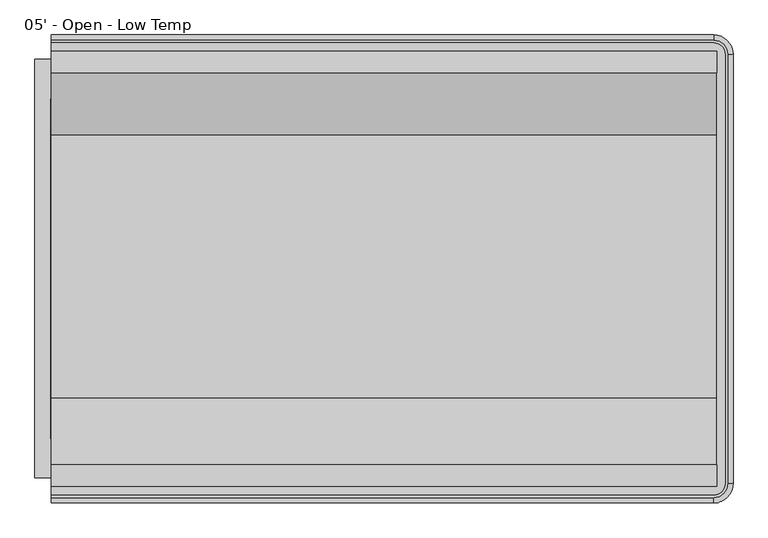
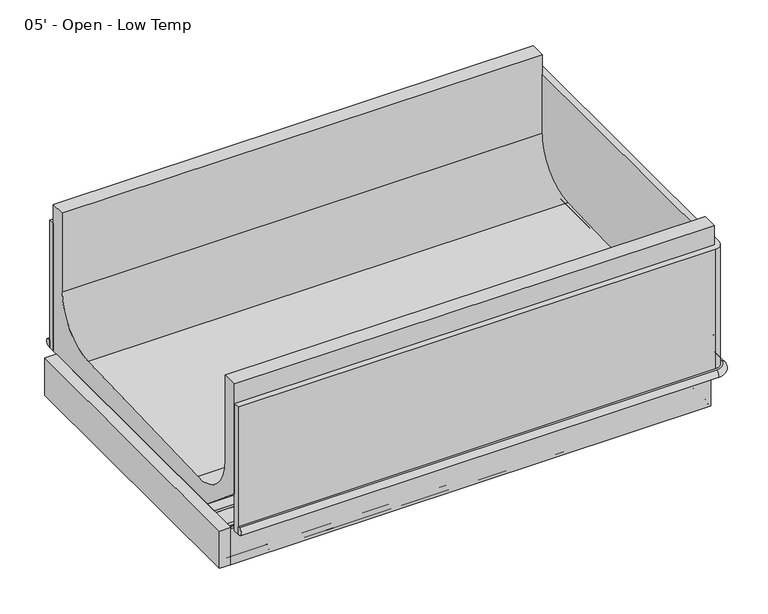
"""IFC4 building model written with IfcOpenShell, lengths in millimetres: proxy geometry, 05' - Open - Low Temp."""

from ifc_helpers import new_model, si_unit, point, frame, frame_2d, origin, place, context, project, spatial, polyline, circle_curve, ellipse_curve, trimmed, segment, composite_curve, outline, extrude, faceted_brep, source, transform, mapped, element, save
from ifc_brep_helpers import plane_surface, cylinder_surface, revolved_surface, advanced_brep


def proxy_05_open_low_temp_ae380f7f(model_context):
    return source(origin(), model_context, "Body", "SolidModel", [
        extrude(outline(composite_curve([segment(trimmed(circle_curve(frame_2d((1327.8857348, -1195.4118533)), 12.7), [point((1315.1857348, -1195.4118533))], [point((1340.5857348, -1195.4118533))], False, "CARTESIAN"), True, "CONTINUOUS"), segment(trimmed(circle_curve(frame_2d((1327.8857348, -1195.4118533)), 12.7), [point((1340.5857348, -1195.4118533))], [point((1315.1857348, -1195.4118533))], False, "CARTESIAN"), True, "CONTINUOUS")], self_intersect=False)), frame((0.0, 0.0, 267.1357836), z_axis=(0.0, 0.0, 1.0), x_axis=(1.0, 0.0, 0.0)), (0.0, 0.0, 1.0), 111.4880864),
        extrude(outline(composite_curve([segment(trimmed(circle_curve(frame_2d((1277.5411097, -1195.4118533)), 9.525), [point((1268.0161097, -1195.4118533))], [point((1287.0661097, -1195.4118533))], False, "CARTESIAN"), True, "CONTINUOUS"), segment(trimmed(circle_curve(frame_2d((1277.5411097, -1195.4118533)), 9.525), [point((1287.0661097, -1195.4118533))], [point((1268.0161097, -1195.4118533))], False, "CARTESIAN"), True, "CONTINUOUS")], self_intersect=False)), frame((0.0, 0.0, 267.1357836), z_axis=(0.0, 0.0, 1.0), x_axis=(1.0, 0.0, 0.0)), (0.0, 0.0, 1.0), 111.4880864),
        extrude(outline(composite_curve([segment(trimmed(circle_curve(frame_2d((762.0, -1198.5868533)), 38.1), [point((723.9, -1198.5868533))], [point((800.1, -1198.5868533))], False, "CARTESIAN"), True, "CONTINUOUS"), segment(trimmed(circle_curve(frame_2d((762.0, -1198.5868533)), 38.1), [point((800.1, -1198.5868533))], [point((723.9, -1198.5868533))], False, "CARTESIAN"), True, "CONTINUOUS")], self_intersect=False)), frame((0.0, 0.0, 267.1357836), z_axis=(0.0, 0.0, 1.0), x_axis=(1.0, 0.0, 0.0)), (0.0, 0.0, 1.0), 111.4880864),
        extrude(outline(polyline([(247.65, -1413.6237792), (247.65, -1451.7237792), (133.35, -1451.7237792), (133.35, -1413.6237792), (247.65, -1413.6237792)])), frame((0.0, 0.0, 274.6794054), z_axis=(0.0, 0.0, 1.0), x_axis=(1.0, 0.0, 0.0)), (0.0, 0.0, 1.0), 6.35),
        advanced_brep(
        [(0.0, -1496.0833013, 358.14512), (0.0, -1496.0833013, 332.74512), (0.0, -1502.3063013, 332.74512), (0.0, -1502.3063013, 358.14512), (0.0, -427.7095533, 358.14512), (0.0, -421.4865533, 358.14512), (0.0, -421.4865533, 332.74512), (0.0, -427.7095533, 332.74512), (1565.91, -1502.3063013, 358.14512), (1599.272374, -1468.9439273, 358.14512), (1599.272374, -454.8489273, 358.14512), (1565.91, -421.4865533, 358.14512), (1565.91, -427.7095533, 358.14512), (1593.049374, -454.8489273, 358.14512), (1593.049374, -1468.9439273, 358.14512), (1565.91, -1496.0833013, 358.14512), (1565.91, -421.4865533, 332.74512), (1565.91, -1496.0833013, 332.74512), (1593.049374, -1468.9439273, 332.74512), (1593.049374, -454.8489273, 332.74512), (1565.91, -427.7095533, 332.74512), (1599.272374, -454.8489273, 332.74512), (1599.272374, -1468.9439273, 332.74512), (1565.91, -1502.3063013, 332.74512)],
        [
            (0, 1),
            (1, 2),
            (2, 3, circle_curve(frame((0.0, -1502.3063013, 345.44512), z_axis=(-1.0, 0.0, 0.0), x_axis=(0.0, -1.0, 0.0)), 12.7)),
            (3, 0),
            (4, 5),
            (5, 6, circle_curve(frame((0.0, -421.4865533, 345.44512), z_axis=(-1.0, 0.0, 0.0), x_axis=(0.0, 1.0, 0.0)), 12.7)),
            (6, 7),
            (7, 4),
            (3, 8),
            (8, 9, circle_curve(frame((1565.91, -1468.9439273, 358.14512), z_axis=(0.0, 0.0, 1.0), x_axis=(1.0, 0.0, 0.0)), 33.362374)),
            (9, 10),
            (10, 11, circle_curve(frame((1565.91, -454.8489273, 358.14512), z_axis=(0.0, 0.0, 1.0), x_axis=(0.0, 1.0, 0.0)), 33.362374)),
            (11, 5),
            (4, 12),
            (12, 13, circle_curve(frame((1565.91, -454.8489273, 358.14512), z_axis=(0.0, 0.0, -1.0), x_axis=(0.0, 1.0, 0.0)), 27.139374)),
            (13, 14),
            (14, 15, circle_curve(frame((1565.91, -1468.9439273, 358.14512), z_axis=(0.0, 0.0, -1.0), x_axis=(1.0, 0.0, 0.0)), 27.139374)),
            (15, 0),
            (11, 16, circle_curve(frame((1565.91, -421.4865533, 345.44512), z_axis=(-1.0, 0.0, 0.0), x_axis=(0.0, 1.0, 0.0)), 12.7)),
            (16, 6),
            (1, 17),
            (17, 18, circle_curve(frame((1565.91, -1468.9439273, 332.74512), z_axis=(0.0, 0.0, 1.0), x_axis=(1.0, 0.0, 0.0)), 27.139374)),
            (18, 19),
            (19, 20, circle_curve(frame((1565.91, -454.8489273, 332.74512), z_axis=(0.0, 0.0, 1.0), x_axis=(0.0, 1.0, 0.0)), 27.139374)),
            (20, 7),
            (16, 21, circle_curve(frame((1565.91, -454.8489273, 332.74512), z_axis=(0.0, 0.0, -1.0), x_axis=(0.0, 1.0, 0.0)), 33.362374)),
            (21, 22),
            (22, 23, circle_curve(frame((1565.91, -1468.9439273, 332.74512), z_axis=(0.0, 0.0, -1.0), x_axis=(1.0, 0.0, 0.0)), 33.362374)),
            (23, 2),
            (20, 12),
            (10, 21, circle_curve(frame((1599.272374, -454.8489273, 345.44512), z_axis=(0.0, 1.0, 0.0), x_axis=(1.0, 0.0, 0.0)), 12.7)),
            (19, 13),
            (9, 22, circle_curve(frame((1599.272374, -1468.9439273, 345.44512), z_axis=(0.0, 1.0, 0.0), x_axis=(1.0, 0.0, 0.0)), 12.7)),
            (18, 14),
            (8, 23, circle_curve(frame((1565.91, -1502.3063013, 345.44512), z_axis=(1.0, 0.0, 0.0), x_axis=(0.0, -1.0, 0.0)), 12.7)),
            (17, 15),
        ],
        [
            plane_surface(frame((0.0, -1522.2839273, 717.55), z_axis=(-1.0, 0.0, 0.0), x_axis=(0.0, 0.0, 1.0))),
            plane_surface(frame((0.0, -401.5089273, 717.55), z_axis=(-1.0, 0.0, 0.0), x_axis=(0.0, 0.0, 1.0))),
            plane_surface(frame((0.0, -427.7095533, 358.14512), z_axis=(0.0, 0.0, 1.0), x_axis=(1.0, 0.0, 0.0))),
            cylinder_surface(frame((0.0, -421.4865533, 345.44512), z_axis=(-1.0, 0.0, 0.0), x_axis=(0.0, 1.0, 0.0)), 12.7),
            plane_surface(frame((0.0, -421.4865533, 332.74512), z_axis=(0.0, 0.0, -1.0), x_axis=(1.0, 0.0, 0.0))),
            plane_surface(frame((0.0, -427.7095533, 332.74512), z_axis=(0.0, -1.0, 0.0), x_axis=(1.0, 0.0, 0.0))),
            revolved_surface(trimmed(ellipse_curve(frame((1565.91, -421.4865533, 345.44512), z_axis=(-1.0, 0.0, 0.0), x_axis=(0.0, 1.0, 0.0)), 12.7, 12.7), [point((1565.91, -421.4865533, 358.14512))], [point((1565.91, -421.4865533, 332.74512))], True, "CARTESIAN"), (1565.91, -454.8489273, 717.55), (0.0, 0.0, -1.0)),
            revolved_surface(polyline([(1565.91, -427.70955330000004, 332.74512), (1565.91, -427.70955330000004, 358.14512)]), (1565.91, -454.8489273, 717.55), (0.0, 0.0, -1.0)),
            cylinder_surface(frame((1599.272374, -454.8489273, 345.44512), z_axis=(0.0, 1.0, 0.0), x_axis=(1.0, 0.0, 0.0)), 12.7),
            plane_surface(frame((1593.049374, -454.8489273, 332.74512), z_axis=(-1.0, 0.0, 0.0), x_axis=(0.0, -1.0, 0.0))),
            revolved_surface(trimmed(ellipse_curve(frame((1599.272374, -1468.9439273, 345.44512), z_axis=(0.0, 1.0, 0.0), x_axis=(1.0, 0.0, 0.0)), 12.7, 12.7), [point((1599.272374, -1468.9439273, 358.14512))], [point((1599.272374, -1468.9439273, 332.74512))], True, "CARTESIAN"), (1565.91, -1468.9439273, 717.55), (0.0, 0.0, -1.0)),
            revolved_surface(polyline([(1593.0493740000002, -1468.9439273, 332.74512), (1593.0493740000002, -1468.9439273, 358.14512)]), (1565.91, -1468.9439273, 717.55), (0.0, 0.0, -1.0)),
            cylinder_surface(frame((1565.91, -1502.3063013, 345.44512), z_axis=(1.0, 0.0, 0.0), x_axis=(0.0, -1.0, 0.0)), 12.7),
            plane_surface(frame((1565.91, -1496.0833013, 332.74512), z_axis=(0.0, 1.0, 0.0), x_axis=(-1.0, 0.0, 0.0))),
        ],
        [
            (0, [[1, 2, 3, 4]]),
            (1, [[5, 6, 7, 8]]),
            (2, [[-4, 9, 10, 11, 12, 13, -5, 14, 15, 16, 17, 18]]),
            (3, [[-6, -13, 19, 20]]),
            (4, [[-2, 21, 22, 23, 24, 25, -7, -20, 26, 27, 28, 29]]),
            (5, [[-8, -25, 30, -14]]),
            (6, [[-12, 31, -26, -19]]),
            (7, [[-15, -30, -24, 32]]),
            (8, [[-11, 33, -27, -31]]),
            (9, [[-16, -32, -23, 34]]),
            (10, [[-10, 35, -28, -33]]),
            (11, [[-17, -34, -22, 36]]),
            (12, [[-3, -29, -35, -9]]),
            (13, [[-1, -18, -36, -21]]),
        ],
    ),
        advanced_brep(
        [(1572.9148438, -645.364244, 415.4160788), (1572.9148438, -1266.4759331, 393.268902), (1572.9148438, -1424.2105725, 546.0329855), (1572.9148438, -1424.2105725, 840.41492), (1572.9148438, -1475.9703113, 840.41492), (1572.9148438, -1475.9703113, 460.2391669), (1572.9148438, -1323.1509772, 332.00852), (1572.9148438, -447.8225433, 332.00852), (1572.9148438, -447.8225433, 840.41492), (1572.9148438, -498.2829273, 840.41492), (1572.9148438, -498.2829273, 567.7232408), (0.0, -645.364244, 415.4160788), (0.0, -498.2829273, 567.7232408), (0.0, -498.2829273, 840.41492), (0.0, -447.8225433, 840.41492), (0.0, -447.8225433, 332.00852), (0.0, -1323.1509772, 332.00852), (0.0, -1475.9703113, 460.2391669), (0.0, -1475.9703113, 840.41492), (0.0, -1424.2105725, 840.41492), (0.0, -1424.2105725, 546.0329855), (0.0, -1266.4759331, 393.268902), (762.0, -1248.6431135, 332.00852), (762.0, -1147.0431135, 332.00852), (1303.3375, -1245.4681135, 332.00852), (1303.3375, -1143.8681135, 332.00852), (762.0, -1248.6431135, 378.62387), (762.0, -1147.0431135, 378.62387), (1303.3375, -1245.4681135, 378.62387), (1303.3375, -1143.8681135, 378.62387)],
        [
            (0, 1),
            (1, 2, circle_curve(frame((1572.9148438, -1271.9033854, 545.4803582), z_axis=(-1.0, 0.0, 0.0), x_axis=(0.0, 1.0, 0.0)), 152.3081897)),
            (2, 3),
            (3, 4),
            (4, 5),
            (5, 6),
            (6, 7),
            (7, 8),
            (8, 9),
            (9, 10),
            (10, 0, circle_curve(frame((1572.9148438, -650.6829273, 567.7232408), z_axis=(-1.0, 0.0, 0.0), x_axis=(0.0, 1.0, 0.0)), 152.4)),
            (11, 12, circle_curve(frame((0.0, -650.6829273, 567.7232408), z_axis=(1.0, 0.0, 0.0), x_axis=(0.0, 1.0, 0.0)), 152.4)),
            (12, 13),
            (13, 14),
            (14, 15),
            (15, 16),
            (16, 17),
            (17, 18),
            (18, 19),
            (19, 20),
            (20, 21, circle_curve(frame((0.0, -1271.9033854, 545.4803582), z_axis=(1.0, 0.0, 0.0), x_axis=(0.0, 1.0, 0.0)), 152.3081897)),
            (21, 11),
            (0, 11),
            (21, 1),
            (20, 2),
            (19, 3),
            (18, 4),
            (17, 5),
            (16, 6),
            (15, 7),
            (22, 23, circle_curve(frame((762.0, -1197.8431135, 332.00852), z_axis=(0.0, 0.0, 1.0), x_axis=(0.0, 1.0, 0.0)), 50.8)),
            (23, 22, circle_curve(frame((762.0, -1197.8431135, 332.00852), z_axis=(0.0, 0.0, 1.0), x_axis=(0.0, 1.0, 0.0)), 50.8)),
            (24, 25, circle_curve(frame((1303.3375, -1194.6681135, 332.00852), z_axis=(0.0, 0.0, 1.0), x_axis=(0.0, 1.0, 0.0)), 50.8)),
            (25, 24, circle_curve(frame((1303.3375, -1194.6681135, 332.00852), z_axis=(0.0, 0.0, 1.0), x_axis=(0.0, 1.0, 0.0)), 50.8)),
            (14, 8),
            (13, 9),
            (12, 10),
            (26, 27, circle_curve(frame((762.0, -1197.8431135, 378.62387), z_axis=(0.0, 0.0, -1.0), x_axis=(0.0, 1.0, 0.0)), 50.8)),
            (27, 26, circle_curve(frame((762.0, -1197.8431135, 378.62387), z_axis=(0.0, 0.0, -1.0), x_axis=(0.0, 1.0, 0.0)), 50.8)),
            (27, 23),
            (22, 26),
            (28, 29, circle_curve(frame((1303.3375, -1194.6681135, 378.62387), z_axis=(0.0, 0.0, -1.0), x_axis=(0.0, 1.0, 0.0)), 50.8)),
            (29, 28, circle_curve(frame((1303.3375, -1194.6681135, 378.62387), z_axis=(0.0, 0.0, -1.0), x_axis=(0.0, 1.0, 0.0)), 50.8)),
            (29, 25),
            (24, 28),
        ],
        [
            plane_surface(frame((1572.9148438, -1266.4759331, 393.268902), z_axis=(1.0, 0.0, 0.0), x_axis=(0.0, -0.999364883420705, -0.03563467111565395))),
            plane_surface(frame((0.0, -1266.4759331, 393.268902), z_axis=(-1.0, 0.0, 0.0), x_axis=(0.0, 0.999364883420705, 0.03563467111565395))),
            plane_surface(frame((1572.9148438, -645.364244, 415.4160788), z_axis=(0.0, -0.03563467111565395, 0.999364883420705), x_axis=(-1.0, 0.0, 0.0))),
            revolved_surface(polyline([(0.0, -1119.5951957, 545.4803582), (1572.9148438, -1119.5951957, 545.4803582)]), (0.0, -1271.9033854, 545.4803582), (-1.0, 0.0, 0.0)),
            plane_surface(frame((1572.9148438, -1424.2105725, 546.0329855), z_axis=(0.0, 1.0, 0.0), x_axis=(-1.0, 0.0, 0.0))),
            plane_surface(frame((1572.9148438, -1424.2105725, 840.41492), z_axis=(0.0, 0.0, 1.0), x_axis=(-1.0, 0.0, 0.0))),
            plane_surface(frame((1572.9148438, -1475.9703113, 840.41492), z_axis=(0.0, -1.0, 0.0), x_axis=(-1.0, 0.0, 0.0))),
            plane_surface(frame((1572.9148438, -1475.9703113, 460.2391669), z_axis=(0.0, -0.6427876096896754, -0.7660444431163466), x_axis=(-1.0, 0.0, 0.0))),
            plane_surface(frame((1572.9148438, -1323.1509772, 332.00852), z_axis=(0.0, 0.0, -1.0), x_axis=(-1.0, 0.0, 0.0))),
            plane_surface(frame((1572.9148438, -447.8225433, 332.00852), z_axis=(0.0, 1.0, 0.0), x_axis=(-1.0, 0.0, 0.0))),
            plane_surface(frame((1572.9148438, -447.8225433, 840.41492), z_axis=(0.0, 0.0, 1.0), x_axis=(-1.0, 0.0, 0.0))),
            plane_surface(frame((1572.9148438, -498.2829273, 840.41492), z_axis=(0.0, -1.0, 0.0), x_axis=(-1.0, 0.0, 0.0))),
            revolved_surface(polyline([(0.0, -498.2829273, 567.7232408), (1572.9148438, -498.2829273, 567.7232408)]), (0.0, -650.6829273, 567.7232408), (-1.0, 0.0, 0.0)),
            plane_surface(frame((762.0, -1147.0431135, 378.62387), z_axis=(0.0, 0.0, -1.0), x_axis=(-1.0, 0.0, 0.0))),
            revolved_surface(polyline([(762.0, -1147.0431135000001, 378.62387), (762.0, -1147.0431135000001, 332.00852)]), (762.0, -1197.8431135, 277.02387), (0.0, 0.0, 1.0)),
            plane_surface(frame((1303.3375, -1143.8681135, 378.62387), z_axis=(0.0, 0.0, -1.0), x_axis=(-1.0, 0.0, 0.0))),
            revolved_surface(polyline([(1303.3375, -1143.8681135, 378.62387), (1303.3375, -1143.8681135, 332.00852)]), (1303.3375, -1194.6681135, 277.02387), (0.0, 0.0, 1.0)),
        ],
        [
            (0, [[1, 2, 3, 4, 5, 6, 7, 8, 9, 10, 11]]),
            (1, [[12, 13, 14, 15, 16, 17, 18, 19, 20, 21, 22]]),
            (2, [[-1, 23, -22, 24]]),
            (3, [[-2, -24, -21, 25]]),
            (4, [[-3, -25, -20, 26]]),
            (5, [[-4, -26, -19, 27]]),
            (6, [[-5, -27, -18, 28]]),
            (7, [[-6, -28, -17, 29]]),
            (8, [[-7, -29, -16, 30], [31, 32], [33, 34]]),
            (9, [[-8, -30, -15, 35]]),
            (10, [[-9, -35, -14, 36]]),
            (11, [[-10, -36, -13, 37]]),
            (12, [[-11, -37, -12, -23]]),
            (13, [[38, 39]]),
            (14, [[-39, 40, -31, 41]]),
            (14, [[-38, -41, -32, -40]]),
            (15, [[42, 43]]),
            (16, [[-43, 44, -33, 45]]),
            (16, [[-42, -45, -34, -44]]),
        ],
    ),
        faceted_brep([(1572.9148438, -1455.9322513, 325.9788642), (1572.9148438, -1455.9322513, 202.18277), (1572.9148438, -1445.1118513, 202.18277), (1572.9148438, -1445.1118513, 325.9788642), (0.0, -1455.9322513, 325.9788642), (0.0, -1445.1118513, 325.9788642), (0.0, -1445.1118513, 202.18277), (0.0, -1455.9322513, 202.18277), (133.35, -1445.1118513, 202.18277), (133.35, -1451.7237792, 202.18277), (247.65, -1451.7237792, 202.18277), (247.65, -1445.1118513, 202.18277), (247.65, -1445.1118513, 281.0294054), (133.35, -1445.1118513, 281.0294054), (247.65, -1451.7237792, 281.0294054), (133.35, -1451.7237792, 281.0294054)], [[[0, 1, 2, 3]], [[4, 5, 6, 7]], [[1, 0, 4, 7]], [[2, 1, 7, 6, 8, 9, 10, 11]], [[3, 2, 11, 12, 13, 8, 6, 5]], [[0, 3, 5, 4]], [[14, 15, 13, 12]], [[10, 14, 12, 11]], [[15, 14, 10, 9]], [[15, 9, 8, 13]]]),
        faceted_brep([(1572.9148438, -466.0942513, 325.9788642), (1572.9148438, -476.9146513, 325.9788642), (1572.9148438, -476.9146513, 202.18277), (1572.9148438, -466.0942513, 202.18277), (0.0, -466.0942513, 325.9788642), (0.0, -466.0942513, 202.18277), (0.0, -476.9146513, 202.18277), (0.0, -476.9146513, 325.9788642)], [[[0, 1, 2, 3]], [[4, 5, 6, 7]], [[1, 0, 4, 7]], [[2, 1, 7, 6]], [[3, 2, 6, 5]], [[0, 3, 5, 4]]]),
        advanced_brep(
        [(1572.9148438, -1432.4118513, 203.70677), (1572.9148438, -1432.4118513, 218.05777), (1572.9148438, -1430.9132513, 218.05777), (1572.9148438, -1430.9132513, 327.2908141), (1572.9148438, -1432.8052072, 329.18277), (1572.9148438, -1443.5878513, 329.18277), (1572.9148438, -1445.1118513, 327.65877), (1572.9148438, -1445.1118513, 203.7555594), (1572.9148438, -1443.5390619, 202.18277), (1572.9148438, -1433.9358513, 202.18277), (0.0, -1432.4118513, 203.70677), (0.0, -1433.9358513, 202.18277), (0.0, -1443.5390619, 202.18277), (0.0, -1445.1118513, 203.7555594), (0.0, -1445.1118513, 327.65877), (0.0, -1443.5878513, 329.18277), (0.0, -1432.8052072, 329.18277), (0.0, -1430.9132513, 327.2908141), (0.0, -1430.9132513, 218.05777), (0.0, -1432.4118513, 218.05777), (247.65, -1432.4118513, 203.70677), (247.65, -1432.4118513, 218.05777), (133.35, -1432.4118513, 218.05777), (133.35, -1432.4118513, 203.70677), (247.65, -1430.9132513, 218.05777), (133.35, -1430.9132513, 218.05777), (247.65, -1430.9132513, 281.0294054), (133.35, -1430.9132513, 281.0294054), (133.35, -1445.1118513, 203.7555594), (133.35, -1445.1118513, 281.0294054), (247.65, -1445.1118513, 281.0294054), (247.65, -1445.1118513, 203.7555594), (247.65, -1443.5390619, 202.18277), (133.35, -1443.5390619, 202.18277), (247.65, -1433.9358513, 202.18277), (133.35, -1433.9358513, 202.18277)],
        [
            (0, 1),
            (1, 2),
            (2, 3),
            (3, 4, circle_curve(frame((1572.9148438, -1432.8052072, 327.2908141), z_axis=(1.0, 0.0, 0.0), x_axis=(0.0, 1.0, 0.0)), 1.8919559)),
            (4, 5),
            (5, 6, circle_curve(frame((1572.9148438, -1443.5878513, 327.65877), z_axis=(1.0, 0.0, 0.0), x_axis=(0.0, 1.0, 0.0)), 1.524)),
            (6, 7),
            (7, 8, circle_curve(frame((1572.9148438, -1443.5390619, 203.7555594), z_axis=(1.0, 0.0, 0.0), x_axis=(0.0, 1.0, 0.0)), 1.5727894)),
            (8, 9),
            (9, 0, circle_curve(frame((1572.9148438, -1433.9358513, 203.70677), z_axis=(1.0, 0.0, 0.0), x_axis=(0.0, 1.0, 0.0)), 1.524)),
            (10, 11, circle_curve(frame((0.0, -1433.9358513, 203.70677), z_axis=(-1.0, 0.0, 0.0), x_axis=(0.0, 1.0, 0.0)), 1.524)),
            (11, 12),
            (12, 13, circle_curve(frame((0.0, -1443.5390619, 203.7555594), z_axis=(-1.0, 0.0, 0.0), x_axis=(0.0, 1.0, 0.0)), 1.5727894)),
            (13, 14),
            (14, 15, circle_curve(frame((0.0, -1443.5878513, 327.65877), z_axis=(-1.0, 0.0, 0.0), x_axis=(0.0, 1.0, 0.0)), 1.524)),
            (15, 16),
            (16, 17, circle_curve(frame((0.0, -1432.8052072, 327.2908141), z_axis=(-1.0, 0.0, 0.0), x_axis=(0.0, 1.0, 0.0)), 1.8919559)),
            (17, 18),
            (18, 19),
            (19, 10),
            (0, 20),
            (20, 21),
            (21, 1),
            (19, 22),
            (22, 23),
            (23, 10),
            (21, 24),
            (24, 2),
            (18, 25),
            (25, 22),
            (24, 26),
            (26, 27),
            (27, 25),
            (17, 3),
            (16, 4),
            (15, 5),
            (14, 6),
            (13, 28),
            (28, 29),
            (29, 30),
            (30, 31),
            (31, 7),
            (31, 32, circle_curve(frame((247.65, -1443.5390619, 203.7555594), z_axis=(1.0, 0.0, 0.0), x_axis=(0.0, 1.0, 0.0)), 1.5727894)),
            (32, 8),
            (12, 33),
            (33, 28, circle_curve(frame((133.35, -1443.5390619, 203.7555594), z_axis=(-1.0, 0.0, 0.0), x_axis=(0.0, 1.0, 0.0)), 1.5727894)),
            (32, 34),
            (34, 9),
            (11, 35),
            (35, 33),
            (34, 20, circle_curve(frame((247.65, -1433.9358513, 203.70677), z_axis=(1.0, 0.0, 0.0), x_axis=(0.0, 1.0, 0.0)), 1.524)),
            (23, 35, circle_curve(frame((133.35, -1433.9358513, 203.70677), z_axis=(-1.0, 0.0, 0.0), x_axis=(0.0, 1.0, 0.0)), 1.524)),
            (26, 30),
            (29, 27),
        ],
        [
            plane_surface(frame((1572.9148438, -1432.4118513, 218.05777), z_axis=(1.0, 0.0, 0.0), x_axis=(0.0, 0.0, 1.0))),
            plane_surface(frame((0.0, -1432.4118513, 218.05777), z_axis=(-1.0, 0.0, 0.0), x_axis=(0.0, 0.0, -1.0))),
            plane_surface(frame((1572.9148438, -1432.4118513, 203.70677), z_axis=(0.0, 1.0, 0.0), x_axis=(-1.0, 0.0, 0.0))),
            plane_surface(frame((1572.9148438, -1432.4118513, 218.05777), z_axis=(0.0, 0.0, -1.0), x_axis=(-1.0, 0.0, 0.0))),
            plane_surface(frame((1572.9148438, -1430.9132513, 218.05777), z_axis=(0.0, 1.0, 0.0), x_axis=(-1.0, 0.0, 0.0))),
            cylinder_surface(frame((0.0, -1432.8052072, 327.2908141), z_axis=(1.0, 0.0, 0.0), x_axis=(0.0, 1.0, 0.0)), 1.8919559),
            plane_surface(frame((1572.9148438, -1432.8052072, 329.18277), z_axis=(0.0, 0.0, 1.0), x_axis=(-1.0, 0.0, 0.0))),
            cylinder_surface(frame((0.0, -1443.5878513, 327.65877), z_axis=(1.0, 0.0, 0.0), x_axis=(0.0, 1.0, 0.0)), 1.524),
            plane_surface(frame((1572.9148438, -1445.1118513, 327.65877), z_axis=(0.0, -1.0, 0.0), x_axis=(-1.0, 0.0, 0.0))),
            cylinder_surface(frame((0.0, -1443.5390619, 203.7555594), z_axis=(1.0, 0.0, 0.0), x_axis=(0.0, 1.0, 0.0)), 1.5727894),
            plane_surface(frame((1572.9148438, -1443.5390619, 202.18277), z_axis=(0.0, 0.0, -1.0), x_axis=(-1.0, 0.0, 0.0))),
            cylinder_surface(frame((0.0, -1433.9358513, 203.70677), z_axis=(1.0, 0.0, 0.0), x_axis=(0.0, 1.0, 0.0)), 1.524),
            plane_surface(frame((0.0, -1481.3322513, 281.0294054), z_axis=(0.0, 0.0, -1.0), x_axis=(1.0, 0.0, 0.0))),
            plane_surface(frame((247.65, -1413.6237792, 202.18277), z_axis=(-1.0, 0.0, 0.0), x_axis=(0.0, 0.0, 1.0))),
            plane_surface(frame((133.35, -1451.7237792, 202.18277), z_axis=(1.0, 0.0, 0.0), x_axis=(0.0, 0.0, 1.0))),
        ],
        [
            (0, [[1, 2, 3, 4, 5, 6, 7, 8, 9, 10]]),
            (1, [[11, 12, 13, 14, 15, 16, 17, 18, 19, 20]]),
            (2, [[-1, 21, 22, 23]]),
            (2, [[-20, 24, 25, 26]]),
            (3, [[-2, -23, 27, 28]]),
            (3, [[-19, 29, 30, -24]]),
            (4, [[-3, -28, 31, 32, 33, -29, -18, 34]]),
            (5, [[-4, -34, -17, 35]]),
            (6, [[-5, -35, -16, 36]]),
            (7, [[-6, -36, -15, 37]]),
            (8, [[-7, -37, -14, 38, 39, 40, 41, 42]]),
            (9, [[-8, -42, 43, 44]]),
            (9, [[-13, 45, 46, -38]]),
            (10, [[-9, -44, 47, 48]]),
            (10, [[-12, 49, 50, -45]]),
            (11, [[-10, -48, 51, -21]]),
            (11, [[-11, -26, 52, -49]]),
            (12, [[53, -40, 54, -32]]),
            (13, [[-53, -31, -27, -22, -51, -47, -43, -41]]),
            (14, [[-54, -39, -46, -50, -52, -25, -30, -33]]),
        ],
    ),
        advanced_brep(
        [(1572.9148438, -489.6146513, 203.70677), (1572.9148438, -488.0906513, 202.18277), (1572.9148438, -478.4874408, 202.18277), (1572.9148438, -476.9146513, 203.7555594), (1572.9148438, -476.9146513, 327.65877), (1572.9148438, -478.4386513, 329.18277), (1572.9148438, -489.2212954, 329.18277), (1572.9148438, -491.1132513, 327.2908141), (1572.9148438, -491.1132513, 218.05777), (1572.9148438, -489.6146513, 218.05777), (0.0, -489.6146513, 203.70677), (0.0, -489.6146513, 218.05777), (0.0, -491.1132513, 218.05777), (0.0, -491.1132513, 327.2908141), (0.0, -489.2212954, 329.18277), (0.0, -478.4386513, 329.18277), (0.0, -476.9146513, 327.65877), (0.0, -476.9146513, 203.7555594), (0.0, -478.4874408, 202.18277), (0.0, -488.0906513, 202.18277)],
        [
            (0, 1, circle_curve(frame((1572.9148438, -488.0906513, 203.70677), z_axis=(1.0, 0.0, 0.0), x_axis=(0.0, 1.0, 0.0)), 1.524)),
            (1, 2),
            (2, 3, circle_curve(frame((1572.9148438, -478.4874408, 203.7555594), z_axis=(1.0, 0.0, 0.0), x_axis=(0.0, 1.0, 0.0)), 1.5727894)),
            (3, 4),
            (4, 5, circle_curve(frame((1572.9148438, -478.4386513, 327.65877), z_axis=(1.0, 0.0, 0.0), x_axis=(0.0, 1.0, 0.0)), 1.524)),
            (5, 6),
            (6, 7, circle_curve(frame((1572.9148438, -489.2212954, 327.2908141), z_axis=(1.0, 0.0, 0.0), x_axis=(0.0, 1.0, 0.0)), 1.8919559)),
            (7, 8),
            (8, 9),
            (9, 0),
            (10, 11),
            (11, 12),
            (12, 13),
            (13, 14, circle_curve(frame((0.0, -489.2212954, 327.2908141), z_axis=(-1.0, 0.0, 0.0), x_axis=(0.0, 1.0, 0.0)), 1.8919559)),
            (14, 15),
            (15, 16, circle_curve(frame((0.0, -478.4386513, 327.65877), z_axis=(-1.0, 0.0, 0.0), x_axis=(0.0, 1.0, 0.0)), 1.524)),
            (16, 17),
            (17, 18, circle_curve(frame((0.0, -478.4874408, 203.7555594), z_axis=(-1.0, 0.0, 0.0), x_axis=(0.0, 1.0, 0.0)), 1.5727894)),
            (18, 19),
            (19, 10, circle_curve(frame((0.0, -488.0906513, 203.70677), z_axis=(-1.0, 0.0, 0.0), x_axis=(0.0, 1.0, 0.0)), 1.524)),
            (0, 10),
            (19, 1),
            (18, 2),
            (17, 3),
            (16, 4),
            (15, 5),
            (14, 6),
            (13, 7),
            (12, 8),
            (11, 9),
        ],
        [
            plane_surface(frame((1572.9148438, -1432.4118513, 218.05777), z_axis=(1.0, 0.0, 0.0), x_axis=(0.0, 0.0, 1.0))),
            plane_surface(frame((0.0, -1432.4118513, 218.05777), z_axis=(-1.0, 0.0, 0.0), x_axis=(0.0, 0.0, -1.0))),
            cylinder_surface(frame((0.0, -488.0906513, 203.70677), z_axis=(1.0, 0.0, 0.0), x_axis=(0.0, 1.0, 0.0)), 1.524),
            plane_surface(frame((1572.9148438, -488.0906513, 202.18277), z_axis=(0.0, 0.0, -1.0), x_axis=(-1.0, 0.0, 0.0))),
            cylinder_surface(frame((0.0, -478.4874408, 203.7555594), z_axis=(1.0, 0.0, 0.0), x_axis=(0.0, 1.0, 0.0)), 1.5727894),
            plane_surface(frame((1572.9148438, -476.9146513, 203.7555594), z_axis=(0.0, 1.0, 0.0), x_axis=(-1.0, 0.0, 0.0))),
            cylinder_surface(frame((0.0, -478.4386513, 327.65877), z_axis=(1.0, 0.0, 0.0), x_axis=(0.0, 1.0, 0.0)), 1.524),
            plane_surface(frame((1572.9148438, -478.4386513, 329.18277), z_axis=(0.0, 0.0, 1.0), x_axis=(-1.0, 0.0, 0.0))),
            cylinder_surface(frame((0.0, -489.2212954, 327.2908141), z_axis=(1.0, 0.0, 0.0), x_axis=(0.0, 1.0, 0.0)), 1.8919559),
            plane_surface(frame((1572.9148438, -491.1132513, 327.2908141), z_axis=(0.0, -1.0, 0.0), x_axis=(-1.0, 0.0, 0.0))),
            plane_surface(frame((1572.9148438, -491.1132513, 218.05777), z_axis=(0.0, 0.0, -1.0), x_axis=(-1.0, 0.0, 0.0))),
            plane_surface(frame((1572.9148438, -489.6146513, 218.05777), z_axis=(0.0, -1.0, 0.0), x_axis=(-1.0, 0.0, 0.0))),
        ],
        [
            (0, [[1, 2, 3, 4, 5, 6, 7, 8, 9, 10]]),
            (1, [[11, 12, 13, 14, 15, 16, 17, 18, 19, 20]]),
            (2, [[-1, 21, -20, 22]]),
            (3, [[-2, -22, -19, 23]]),
            (4, [[-3, -23, -18, 24]]),
            (5, [[-4, -24, -17, 25]]),
            (6, [[-5, -25, -16, 26]]),
            (7, [[-6, -26, -15, 27]]),
            (8, [[-7, -27, -14, 28]]),
            (9, [[-8, -28, -13, 29]]),
            (10, [[-9, -29, -12, 30]]),
            (11, [[-10, -30, -11, -21]]),
        ],
    ),
        advanced_brep(
        [(1572.9148438, -1362.6507513, 227.926894), (1572.9148438, -1362.6507513, 293.70532), (1572.9148438, -1364.6319513, 293.70532), (1572.9148438, -1364.6319513, 324.82032), (1572.9148438, -1367.8069513, 327.99532), (1572.9148438, -1429.6435261, 327.99532), (1572.9148438, -1432.5007513, 325.1380948), (1572.9148438, -1432.5007513, 213.28892), (1572.9148438, -1428.5383513, 209.32652), (1572.9148438, -1413.3321043, 209.32652), (1572.9148438, -1411.526365, 209.6530509), (0.0, -1362.6507513, 227.926894), (0.0, -1411.526365, 209.6530509), (0.0, -1413.3321043, 209.32652), (0.0, -1428.5383513, 209.32652), (0.0, -1432.5007513, 213.28892), (0.0, -1432.5007513, 325.1380948), (0.0, -1429.6435261, 327.99532), (0.0, -1367.8069513, 327.99532), (0.0, -1364.6319513, 324.82032), (0.0, -1364.6319513, 293.70532), (0.0, -1362.6507513, 293.70532), (133.35, -1432.5007513, 213.28892), (133.35, -1432.5007513, 281.0294054), (247.65, -1432.5007513, 281.0294054), (247.65, -1432.5007513, 213.28892), (247.65, -1428.5383513, 209.32652), (133.35, -1428.5383513, 209.32652), (247.65, -1413.6237792, 209.32652), (133.35, -1413.6237792, 209.32652), (133.35, -1413.6237792, 281.0294054), (247.65, -1413.6237792, 281.0294054)],
        [
            (0, 1),
            (1, 2),
            (2, 3),
            (3, 4, circle_curve(frame((1572.9148438, -1367.8069513, 324.82032), z_axis=(1.0, 0.0, 0.0), x_axis=(0.0, 1.0, 0.0)), 3.175)),
            (4, 5),
            (5, 6, circle_curve(frame((1572.9148438, -1429.6435261, 325.1380948), z_axis=(1.0, 0.0, 0.0), x_axis=(0.0, 1.0, 0.0)), 2.8572252)),
            (6, 7),
            (7, 8, circle_curve(frame((1572.9148438, -1428.5383513, 213.28892), z_axis=(1.0, 0.0, 0.0), x_axis=(0.0, 1.0, 0.0)), 3.9624)),
            (8, 9),
            (9, 10, circle_curve(frame((1572.9148438, -1413.3321043, 214.48272), z_axis=(1.0, 0.0, 0.0), x_axis=(0.0, 1.0, 0.0)), 5.1562)),
            (10, 0),
            (11, 12),
            (12, 13, circle_curve(frame((0.0, -1413.3321043, 214.48272), z_axis=(-1.0, 0.0, 0.0), x_axis=(0.0, 1.0, 0.0)), 5.1562)),
            (13, 14),
            (14, 15, circle_curve(frame((0.0, -1428.5383513, 213.28892), z_axis=(-1.0, 0.0, 0.0), x_axis=(0.0, 1.0, 0.0)), 3.9624)),
            (15, 16),
            (16, 17, circle_curve(frame((0.0, -1429.6435261, 325.1380948), z_axis=(-1.0, 0.0, 0.0), x_axis=(0.0, 1.0, 0.0)), 2.8572252)),
            (17, 18),
            (18, 19, circle_curve(frame((0.0, -1367.8069513, 324.82032), z_axis=(-1.0, 0.0, 0.0), x_axis=(0.0, 1.0, 0.0)), 3.175)),
            (19, 20),
            (20, 21),
            (21, 11),
            (0, 11),
            (21, 1),
            (20, 2),
            (19, 3),
            (18, 4),
            (17, 5),
            (16, 6),
            (15, 22),
            (22, 23),
            (23, 24),
            (24, 25),
            (25, 7),
            (25, 26, circle_curve(frame((247.65, -1428.5383513, 213.28892), z_axis=(1.0, 0.0, 0.0), x_axis=(0.0, 1.0, 0.0)), 3.9624)),
            (26, 8),
            (14, 27),
            (27, 22, circle_curve(frame((133.35, -1428.5383513, 213.28892), z_axis=(-1.0, 0.0, 0.0), x_axis=(0.0, 1.0, 0.0)), 3.9624)),
            (26, 28),
            (28, 29),
            (29, 27),
            (13, 9),
            (12, 10),
            (30, 31),
            (31, 24),
            (23, 30),
            (31, 28),
            (29, 30),
        ],
        [
            plane_surface(frame((1572.9148438, -1362.6507513, 332.00852), z_axis=(1.0, 0.0, 0.0), x_axis=(0.0, 0.0, 1.0))),
            plane_surface(frame((0.0, -1362.6507513, 332.00852), z_axis=(-1.0, 0.0, 0.0), x_axis=(0.0, 0.0, -1.0))),
            plane_surface(frame((1572.9148438, -1362.6507513, 227.926894), z_axis=(0.0, 1.0, 0.0), x_axis=(-1.0, 0.0, 0.0))),
            plane_surface(frame((1572.9148438, -1362.6507513, 293.70532), z_axis=(0.0, 0.0, 1.0), x_axis=(-1.0, 0.0, 0.0))),
            plane_surface(frame((1572.9148438, -1364.6319513, 293.70532), z_axis=(0.0, 1.0, 0.0), x_axis=(-1.0, 0.0, 0.0))),
            cylinder_surface(frame((0.0, -1367.8069513, 324.82032), z_axis=(1.0, 0.0, 0.0), x_axis=(0.0, 1.0, 0.0)), 3.175),
            plane_surface(frame((1572.9148438, -1367.8069513, 327.99532), z_axis=(0.0, 0.0, 1.0), x_axis=(-1.0, 0.0, 0.0))),
            cylinder_surface(frame((0.0, -1429.6435261, 325.1380948), z_axis=(1.0, 0.0, 0.0), x_axis=(0.0, 1.0, 0.0)), 2.8572252),
            plane_surface(frame((1572.9148438, -1432.5007513, 325.1380948), z_axis=(0.0, -1.0, 0.0), x_axis=(-1.0, 0.0, 0.0))),
            cylinder_surface(frame((0.0, -1428.5383513, 213.28892), z_axis=(1.0, 0.0, 0.0), x_axis=(0.0, 1.0, 0.0)), 3.9624),
            plane_surface(frame((1572.9148438, -1428.5383513, 209.32652), z_axis=(0.0, 0.0, -1.0), x_axis=(-1.0, 0.0, 0.0))),
            cylinder_surface(frame((0.0, -1413.3321043, 214.48272), z_axis=(1.0, 0.0, 0.0), x_axis=(0.0, 1.0, 0.0)), 5.1562),
            plane_surface(frame((1572.9148438, -1411.526365, 209.6530509), z_axis=(0.0, 0.35020738115642, -0.9366721892869255), x_axis=(-1.0, 0.0, 0.0))),
            plane_surface(frame((0.0, -1481.3322513, 281.0294054), z_axis=(0.0, 0.0, -1.0), x_axis=(1.0, 0.0, 0.0))),
            plane_surface(frame((247.65, -1413.6237792, 202.18277), z_axis=(-1.0, 0.0, 0.0), x_axis=(0.0, 0.0, 1.0))),
            plane_surface(frame((133.35, -1451.7237792, 202.18277), z_axis=(1.0, 0.0, 0.0), x_axis=(0.0, 0.0, 1.0))),
            plane_surface(frame((133.35, -1413.6237792, 202.18277), z_axis=(0.0, -1.0, 0.0), x_axis=(0.0, 0.0, 1.0))),
        ],
        [
            (0, [[1, 2, 3, 4, 5, 6, 7, 8, 9, 10, 11]]),
            (1, [[12, 13, 14, 15, 16, 17, 18, 19, 20, 21, 22]]),
            (2, [[-1, 23, -22, 24]]),
            (3, [[-2, -24, -21, 25]]),
            (4, [[-3, -25, -20, 26]]),
            (5, [[-4, -26, -19, 27]]),
            (6, [[-5, -27, -18, 28]]),
            (7, [[-6, -28, -17, 29]]),
            (8, [[-7, -29, -16, 30, 31, 32, 33, 34]]),
            (9, [[-8, -34, 35, 36]]),
            (9, [[-15, 37, 38, -30]]),
            (10, [[-9, -36, 39, 40, 41, -37, -14, 42]]),
            (11, [[-10, -42, -13, 43]]),
            (12, [[-11, -43, -12, -23]]),
            (13, [[44, 45, -32, 46]]),
            (14, [[-45, 47, -39, -35, -33]]),
            (15, [[-46, -31, -38, -41, 48]]),
            (16, [[-44, -48, -40, -47]]),
        ],
    ),
        advanced_brep(
        [(1572.9148438, -559.3757513, 227.926894), (1572.9148438, -510.5001377, 209.6530509), (1572.9148438, -508.6943984, 209.32652), (1572.9148438, -493.4881513, 209.32652), (1572.9148438, -489.5257513, 213.28892), (1572.9148438, -489.5257513, 325.1380948), (1572.9148438, -492.3829765, 327.99532), (1572.9148438, -554.2195513, 327.99532), (1572.9148438, -557.3945513, 324.82032), (1572.9148438, -557.3945513, 293.70532), (1572.9148438, -559.3757513, 293.70532), (0.0, -559.3757513, 227.926894), (0.0, -559.3757513, 293.70532), (0.0, -557.3945513, 293.70532), (0.0, -557.3945513, 324.82032), (0.0, -554.2195513, 327.99532), (0.0, -492.3829765, 327.99532), (0.0, -489.5257513, 325.1380948), (0.0, -489.5257513, 213.28892), (0.0, -493.4881513, 209.32652), (0.0, -508.6943984, 209.32652), (0.0, -510.5001377, 209.6530509)],
        [
            (0, 1),
            (1, 2, circle_curve(frame((1572.9148438, -508.6943984, 214.48272), z_axis=(1.0, 0.0, 0.0), x_axis=(0.0, 1.0, 0.0)), 5.1562)),
            (2, 3),
            (3, 4, circle_curve(frame((1572.9148438, -493.4881513, 213.28892), z_axis=(1.0, 0.0, 0.0), x_axis=(0.0, 1.0, 0.0)), 3.9624)),
            (4, 5),
            (5, 6, circle_curve(frame((1572.9148438, -492.3829765, 325.1380948), z_axis=(1.0, 0.0, 0.0), x_axis=(0.0, 1.0, 0.0)), 2.8572252)),
            (6, 7),
            (7, 8, circle_curve(frame((1572.9148438, -554.2195513, 324.82032), z_axis=(1.0, 0.0, 0.0), x_axis=(0.0, 1.0, 0.0)), 3.175)),
            (8, 9),
            (9, 10),
            (10, 0),
            (11, 12),
            (12, 13),
            (13, 14),
            (14, 15, circle_curve(frame((0.0, -554.2195513, 324.82032), z_axis=(-1.0, 0.0, 0.0), x_axis=(0.0, 1.0, 0.0)), 3.175)),
            (15, 16),
            (16, 17, circle_curve(frame((0.0, -492.3829765, 325.1380948), z_axis=(-1.0, 0.0, 0.0), x_axis=(0.0, 1.0, 0.0)), 2.8572252)),
            (17, 18),
            (18, 19, circle_curve(frame((0.0, -493.4881513, 213.28892), z_axis=(-1.0, 0.0, 0.0), x_axis=(0.0, 1.0, 0.0)), 3.9624)),
            (19, 20),
            (20, 21, circle_curve(frame((0.0, -508.6943984, 214.48272), z_axis=(-1.0, 0.0, 0.0), x_axis=(0.0, 1.0, 0.0)), 5.1562)),
            (21, 11),
            (0, 11),
            (21, 1),
            (20, 2),
            (19, 3),
            (18, 4),
            (17, 5),
            (16, 6),
            (15, 7),
            (14, 8),
            (13, 9),
            (12, 10),
        ],
        [
            plane_surface(frame((1572.9148438, -1362.6507513, 332.00852), z_axis=(1.0, 0.0, 0.0), x_axis=(0.0, 0.0, 1.0))),
            plane_surface(frame((0.0, -1362.6507513, 332.00852), z_axis=(-1.0, 0.0, 0.0), x_axis=(0.0, 0.0, -1.0))),
            plane_surface(frame((1572.9148438, -559.3757513, 227.926894), z_axis=(0.0, -0.35020738115642114, -0.9366721892869251), x_axis=(-1.0, 0.0, 0.0))),
            cylinder_surface(frame((0.0, -508.6943984, 214.48272), z_axis=(1.0, 0.0, 0.0), x_axis=(0.0, 1.0, 0.0)), 5.1562),
            plane_surface(frame((1572.9148438, -508.6943984, 209.32652), z_axis=(0.0, 0.0, -1.0), x_axis=(-1.0, 0.0, 0.0))),
            cylinder_surface(frame((0.0, -493.4881513, 213.28892), z_axis=(1.0, 0.0, 0.0), x_axis=(0.0, 1.0, 0.0)), 3.9624),
            plane_surface(frame((1572.9148438, -489.5257513, 213.28892), z_axis=(0.0, 1.0, 0.0), x_axis=(-1.0, 0.0, 0.0))),
            cylinder_surface(frame((0.0, -492.3829765, 325.1380948), z_axis=(1.0, 0.0, 0.0), x_axis=(0.0, 1.0, 0.0)), 2.8572252),
            plane_surface(frame((1572.9148438, -492.3829765, 327.99532), z_axis=(0.0, 0.0, 1.0), x_axis=(-1.0, 0.0, 0.0))),
            cylinder_surface(frame((0.0, -554.2195513, 324.82032), z_axis=(1.0, 0.0, 0.0), x_axis=(0.0, 1.0, 0.0)), 3.175),
            plane_surface(frame((1572.9148438, -557.3945513, 324.82032), z_axis=(0.0, -1.0, 0.0), x_axis=(-1.0, 0.0, 0.0))),
            plane_surface(frame((1572.9148438, -557.3945513, 293.70532), z_axis=(0.0, 0.0, 1.0), x_axis=(-1.0, 0.0, 0.0))),
            plane_surface(frame((1572.9148438, -559.3757513, 293.70532), z_axis=(0.0, -1.0, 0.0), x_axis=(-1.0, 0.0, 0.0))),
        ],
        [
            (0, [[1, 2, 3, 4, 5, 6, 7, 8, 9, 10, 11]]),
            (1, [[12, 13, 14, 15, 16, 17, 18, 19, 20, 21, 22]]),
            (2, [[-1, 23, -22, 24]]),
            (3, [[-2, -24, -21, 25]]),
            (4, [[-3, -25, -20, 26]]),
            (5, [[-4, -26, -19, 27]]),
            (6, [[-5, -27, -18, 28]]),
            (7, [[-6, -28, -17, 29]]),
            (8, [[-7, -29, -16, 30]]),
            (9, [[-8, -30, -15, 31]]),
            (10, [[-9, -31, -14, 32]]),
            (11, [[-10, -32, -13, 33]]),
            (12, [[-11, -33, -12, -23]]),
        ],
    ),
        advanced_brep(
        [(1572.9148438, -1303.1736264, 235.17737), (1572.9148438, -1303.1736264, 277.02387), (1572.9148438, -618.1091365, 277.02387), (1572.9148438, -618.1091365, 235.17737), (1572.9148438, -611.7591365, 228.82737), (1572.9148438, -597.9923365, 228.82737), (1572.9148438, -597.9923365, 204.95137), (1572.9148438, -561.7633513, 204.95137), (1572.9148438, -559.3757513, 207.33897), (1572.9148438, -559.3757513, 332.00852), (1572.9148438, -1362.6507513, 332.00852), (1572.9148438, -1362.6507513, 207.33897), (1572.9148438, -1360.2631513, 204.95137), (1572.9148438, -1324.0341661, 204.95137), (1572.9148438, -1324.0341661, 228.82737), (1572.9148438, -1309.5236264, 228.82737), (-0.3948756, -1303.1736264, 235.17737), (-0.3948756, -1309.5236264, 228.82737), (-0.3948756, -1324.0341661, 228.82737), (-0.3948756, -1324.0341661, 204.95137), (-0.3948756, -1360.2631513, 204.95137), (-0.3948756, -1362.6507513, 207.33897), (-0.3948756, -1362.6507513, 332.00852), (-0.3948756, -559.3757513, 332.00852), (-0.3948756, -559.3757513, 207.33897), (-0.3948756, -561.7633513, 204.95137), (-0.3948756, -597.9923365, 204.95137), (-0.3948756, -597.9923365, 228.82737), (-0.3948756, -611.7591365, 228.82737), (-0.3948756, -618.1091365, 235.17737), (-0.3948756, -618.1091365, 277.02387), (-0.3948756, -1303.1736264, 277.02387), (762.0, -1248.6431135, 277.02387), (762.0, -1147.0431135, 277.02387), (1303.3375, -1245.4681135, 277.02387), (1303.3375, -1143.8681135, 277.02387), (762.0, -1147.0431135, 332.00852), (762.0, -1248.6431135, 332.00852), (1303.3375, -1143.8681135, 332.00852), (1303.3375, -1245.4681135, 332.00852)],
        [
            (0, 1),
            (1, 2),
            (2, 3),
            (3, 4, circle_curve(frame((1572.9148438, -611.7591365, 235.17737), z_axis=(1.0, 0.0, 0.0), x_axis=(0.0, 1.0, 0.0)), 6.35)),
            (4, 5),
            (5, 6),
            (6, 7),
            (7, 8, circle_curve(frame((1572.9148438, -561.7633513, 207.33897), z_axis=(1.0, 0.0, 0.0), x_axis=(0.0, 1.0, 0.0)), 2.3876)),
            (8, 9),
            (9, 10),
            (10, 11),
            (11, 12, circle_curve(frame((1572.9148438, -1360.2631513, 207.33897), z_axis=(1.0, 0.0, 0.0), x_axis=(0.0, 1.0, 0.0)), 2.3876)),
            (12, 13),
            (13, 14),
            (14, 15),
            (15, 0, circle_curve(frame((1572.9148438, -1309.5236264, 235.17737), z_axis=(1.0, 0.0, 0.0), x_axis=(0.0, 1.0, 0.0)), 6.35)),
            (16, 17, circle_curve(frame((-0.3948756, -1309.5236264, 235.17737), z_axis=(-1.0, 0.0, 0.0), x_axis=(0.0, 1.0, 0.0)), 6.35)),
            (17, 18),
            (18, 19),
            (19, 20),
            (20, 21, circle_curve(frame((-0.3948756, -1360.2631513, 207.33897), z_axis=(-1.0, 0.0, 0.0), x_axis=(0.0, 1.0, 0.0)), 2.3876)),
            (21, 22),
            (22, 23),
            (23, 24),
            (24, 25, circle_curve(frame((-0.3948756, -561.7633513, 207.33897), z_axis=(-1.0, 0.0, 0.0), x_axis=(0.0, 1.0, 0.0)), 2.3876)),
            (25, 26),
            (26, 27),
            (27, 28),
            (28, 29, circle_curve(frame((-0.3948756, -611.7591365, 235.17737), z_axis=(-1.0, 0.0, 0.0), x_axis=(0.0, 1.0, 0.0)), 6.35)),
            (29, 30),
            (30, 31),
            (31, 16),
            (0, 16),
            (31, 1),
            (30, 2),
            (32, 33, circle_curve(frame((762.0, -1197.8431135, 277.02387), z_axis=(0.0, 0.0, 1.0), x_axis=(0.0, 1.0, 0.0)), 50.8)),
            (33, 32, circle_curve(frame((762.0, -1197.8431135, 277.02387), z_axis=(0.0, 0.0, 1.0), x_axis=(0.0, 1.0, 0.0)), 50.8)),
            (34, 35, circle_curve(frame((1303.3375, -1194.6681135, 277.02387), z_axis=(0.0, 0.0, 1.0), x_axis=(0.0, 1.0, 0.0)), 50.8)),
            (35, 34, circle_curve(frame((1303.3375, -1194.6681135, 277.02387), z_axis=(0.0, 0.0, 1.0), x_axis=(0.0, 1.0, 0.0)), 50.8)),
            (29, 3),
            (28, 4),
            (27, 5),
            (26, 6),
            (25, 7),
            (24, 8),
            (23, 9),
            (22, 10),
            (36, 37, circle_curve(frame((762.0, -1197.8431135, 332.00852), z_axis=(0.0, 0.0, -1.0), x_axis=(0.0, 1.0, 0.0)), 50.8)),
            (37, 36, circle_curve(frame((762.0, -1197.8431135, 332.00852), z_axis=(0.0, 0.0, -1.0), x_axis=(0.0, 1.0, 0.0)), 50.8)),
            (38, 39, circle_curve(frame((1303.3375, -1194.6681135, 332.00852), z_axis=(0.0, 0.0, -1.0), x_axis=(0.0, 1.0, 0.0)), 50.8)),
            (39, 38, circle_curve(frame((1303.3375, -1194.6681135, 332.00852), z_axis=(0.0, 0.0, -1.0), x_axis=(0.0, 1.0, 0.0)), 50.8)),
            (21, 11),
            (20, 12),
            (19, 13),
            (18, 14),
            (17, 15),
            (32, 37),
            (36, 33),
            (34, 39),
            (38, 35),
        ],
        [
            plane_surface(frame((1572.9148438, -1303.1736264, 332.00852), z_axis=(1.0, 0.0, 0.0), x_axis=(0.0, 0.0, 1.0))),
            plane_surface(frame((-0.3948756, -1303.1736264, 332.00852), z_axis=(-1.0, 0.0, 0.0), x_axis=(0.0, 0.0, -1.0))),
            plane_surface(frame((1572.9148438, -1303.1736264, 235.17737), z_axis=(0.0, 1.0, 0.0), x_axis=(-1.0, 0.0, 0.0))),
            plane_surface(frame((1572.9148438, -1303.1736264, 277.02387), z_axis=(0.0, 0.0, -1.0), x_axis=(-1.0, 0.0, 0.0))),
            plane_surface(frame((1572.9148438, -618.1091365, 277.02387), z_axis=(0.0, -1.0, 0.0), x_axis=(-1.0, 0.0, 0.0))),
            cylinder_surface(frame((-0.3948756, -611.7591365, 235.17737), z_axis=(1.0, 0.0, 0.0), x_axis=(0.0, 1.0, 0.0)), 6.35),
            plane_surface(frame((1572.9148438, -611.7591365, 228.82737), z_axis=(0.0, 0.0, -1.0), x_axis=(-1.0, 0.0, 0.0))),
            plane_surface(frame((1572.9148438, -597.9923365, 228.82737), z_axis=(0.0, -1.0, 0.0), x_axis=(-1.0, 0.0, 0.0))),
            plane_surface(frame((1572.9148438, -597.9923365, 204.95137), z_axis=(0.0, 0.0, -1.0), x_axis=(-1.0, 0.0, 0.0))),
            cylinder_surface(frame((-0.3948756, -561.7633513, 207.33897), z_axis=(1.0, 0.0, 0.0), x_axis=(0.0, 1.0, 0.0)), 2.3876),
            plane_surface(frame((1572.9148438, -559.3757513, 207.33897), z_axis=(0.0, 1.0, 0.0), x_axis=(-1.0, 0.0, 0.0))),
            plane_surface(frame((1572.9148438, -559.3757513, 332.00852), z_axis=(0.0, 0.0, 1.0), x_axis=(-1.0, 0.0, 0.0))),
            plane_surface(frame((1572.9148438, -1362.6507513, 332.00852), z_axis=(0.0, -1.0, 0.0), x_axis=(-1.0, 0.0, 0.0))),
            cylinder_surface(frame((-0.3948756, -1360.2631513, 207.33897), z_axis=(1.0, 0.0, 0.0), x_axis=(0.0, 1.0, 0.0)), 2.3876),
            plane_surface(frame((1572.9148438, -1360.2631513, 204.95137), z_axis=(0.0, 0.0, -1.0), x_axis=(-1.0, 0.0, 0.0))),
            plane_surface(frame((1572.9148438, -1324.0341661, 204.95137), z_axis=(0.0, 1.0, 0.0), x_axis=(-1.0, 0.0, 0.0))),
            plane_surface(frame((1572.9148438, -1324.0341661, 228.82737), z_axis=(0.0, 0.0, -1.0), x_axis=(-1.0, 0.0, 0.0))),
            cylinder_surface(frame((-0.3948756, -1309.5236264, 235.17737), z_axis=(1.0, 0.0, 0.0), x_axis=(0.0, 1.0, 0.0)), 6.35),
            revolved_surface(polyline([(762.0, -1147.0431135000001, 332.00852), (762.0, -1147.0431135000001, 277.02387)]), (762.0, -1197.8431135, 277.02387), (0.0, 0.0, 1.0)),
            revolved_surface(polyline([(1303.3375, -1143.8681135, 332.00852), (1303.3375, -1143.8681135, 277.02387)]), (1303.3375, -1194.6681135, 277.02387), (0.0, 0.0, 1.0)),
        ],
        [
            (0, [[1, 2, 3, 4, 5, 6, 7, 8, 9, 10, 11, 12, 13, 14, 15, 16]]),
            (1, [[17, 18, 19, 20, 21, 22, 23, 24, 25, 26, 27, 28, 29, 30, 31, 32]]),
            (2, [[-1, 33, -32, 34]]),
            (3, [[-2, -34, -31, 35], [36, 37], [38, 39]]),
            (4, [[-3, -35, -30, 40]]),
            (5, [[-4, -40, -29, 41]]),
            (6, [[-5, -41, -28, 42]]),
            (7, [[-6, -42, -27, 43]]),
            (8, [[-7, -43, -26, 44]]),
            (9, [[-8, -44, -25, 45]]),
            (10, [[-9, -45, -24, 46]]),
            (11, [[-10, -46, -23, 47], [48, 49], [50, 51]]),
            (12, [[-11, -47, -22, 52]]),
            (13, [[-12, -52, -21, 53]]),
            (14, [[-13, -53, -20, 54]]),
            (15, [[-14, -54, -19, 55]]),
            (16, [[-15, -55, -18, 56]]),
            (17, [[-16, -56, -17, -33]]),
            (18, [[57, -48, 58, -36]]),
            (18, [[-57, -37, -58, -49]]),
            (19, [[59, -50, 60, -38]]),
            (19, [[-59, -39, -60, -51]]),
        ],
    ),
        extrude(outline(composite_curve([segment(polyline([(0.0, -1496.0833013), (0.0, -1475.9703113), (1565.91, -1475.9703113)]), True, "CONTINUOUS"), segment(trimmed(circle_curve(frame_2d((1565.91, -1468.9439273)), 7.026384), [point((1565.91, -1475.9703113))], [point((1572.936384, -1468.9439273))], True, "CARTESIAN"), True, "CONTINUOUS"), segment(polyline([(1572.936384, -1468.9439273), (1572.936384, -454.8489273)]), True, "CONTINUOUS"), segment(trimmed(circle_curve(frame_2d((1565.91, -454.8489273)), 7.026384), [point((1572.936384, -454.8489273))], [point((1565.91, -447.8225433))], True, "CARTESIAN"), True, "CONTINUOUS"), segment(polyline([(1565.91, -447.8225433), (0.0, -447.8225433), (0.0, -427.7095533), (1565.91, -427.7095533)]), True, "CONTINUOUS"), segment(trimmed(circle_curve(frame_2d((1565.91, -454.8489273)), 27.139374), [point((1565.91, -427.7095533))], [point((1593.049374, -454.8489273))], False, "CARTESIAN"), True, "CONTINUOUS"), segment(polyline([(1593.049374, -454.8489273), (1593.049374, -1468.9439273)]), True, "CONTINUOUS"), segment(trimmed(circle_curve(frame_2d((1565.91, -1468.9439273)), 27.139374), [point((1593.049374, -1468.9439273))], [point((1565.91, -1496.0833013))], False, "CARTESIAN"), True, "CONTINUOUS"), segment(polyline([(1565.91, -1496.0833013), (0.0, -1496.0833013)]), True, "CONTINUOUS")], self_intersect=False)), frame((0.0, 0.0, 332.00852), z_axis=(0.0, 0.0, 1.0), x_axis=(1.0, 0.0, 0.0)), (0.0, 0.0, 1.0), 441.3885),
        extrude(outline(polyline([(0.0, -466.0942513), (0.0, -1455.9322513), (-38.1, -1455.9322513), (-38.1, -466.0942513), (0.0, -466.0942513)])), frame((0.0, 0.0, 202.18277), z_axis=(0.0, 0.0, 1.0), x_axis=(1.0, 0.0, 0.0)), (0.0, 0.0, 1.0), 129.82575),
    ])


if __name__ == "__main__":
    model = new_model("IFC4")
    model_context = context("Model", 3, world=origin())
    ifc_project = project(units=[si_unit("LENGTHUNIT", "METRE", prefix="MILLI")], contexts=[model_context])
    site = spatial("IfcSite", under=ifc_project)
    building = spatial("IfcBuilding", under=site)
    placement = place(None, origin())
    proxy_05_open_low_temp_shape = proxy_05_open_low_temp_ae380f7f(model_context)
    element("IfcBuildingElementProxy", 1, Name="05' - Open - Low Temp", ObjectType="05' - Open - Low Temp", at=placement, inside=building, context=model_context, shape_type="MappedRepresentation", body=[
        mapped(proxy_05_open_low_temp_shape, transform((0.0, 0.0, 0.0), x_axis=(1.0, 0.0, 0.0), y_axis=(0.0, 1.0, 0.0), z_axis=(0.0, 0.0, 1.0))),
    ])
    save(model, "model.ifc")
